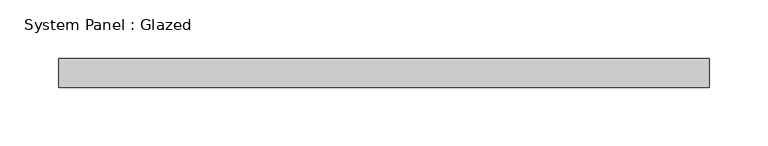
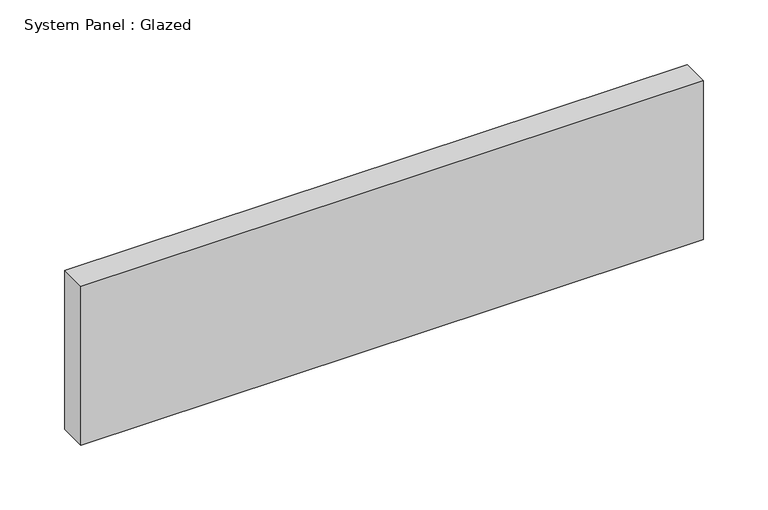
"""IFC4 building model written with IfcOpenShell, lengths in millimetres: plate geometry, System Panel : Glazed."""

from ifc_helpers import new_model, si_unit, origin, origin_with_axes, place, context, project, spatial, polyline, outline, extrude, source, transform, mapped, element, save


def system_panel_glazed_acf768f0(model_context):
    return source(origin(), model_context, "Body", "SweptSolid", [
        extrude(outline(polyline([(278.0, 24.5), (-278.0, 24.5), (-278.0, 49.5), (278.0, 49.5), (278.0, 24.5)])), origin_with_axes(), (0.0, 0.0, 1.0), 150.0),
    ])


if __name__ == "__main__":
    model = new_model("IFC4")
    model_context = context("Model", 3, world=origin())
    ifc_project = project(units=[si_unit("LENGTHUNIT", "METRE", prefix="MILLI")], contexts=[model_context])
    site = spatial("IfcSite", under=ifc_project)
    building = spatial("IfcBuilding", under=site)
    placement = place(None, origin())
    system_panel_glazed_shape = system_panel_glazed_acf768f0(model_context)
    element("IfcPlate", 1, ObjectType="System Panel : Glazed", at=placement, inside=building, context=model_context, shape_type="MappedRepresentation", body=[
        mapped(system_panel_glazed_shape, transform((0.0, 0.0, 0.0), x_axis=(1.0, 0.0, 0.0), y_axis=(0.0, 1.0, 0.0), z_axis=(0.0, 0.0, 1.0))),
    ])
    save(model, "model.ifc")
